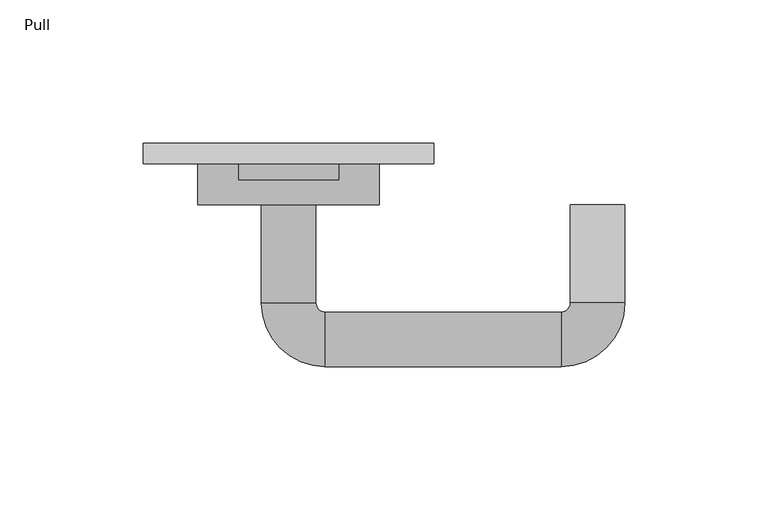
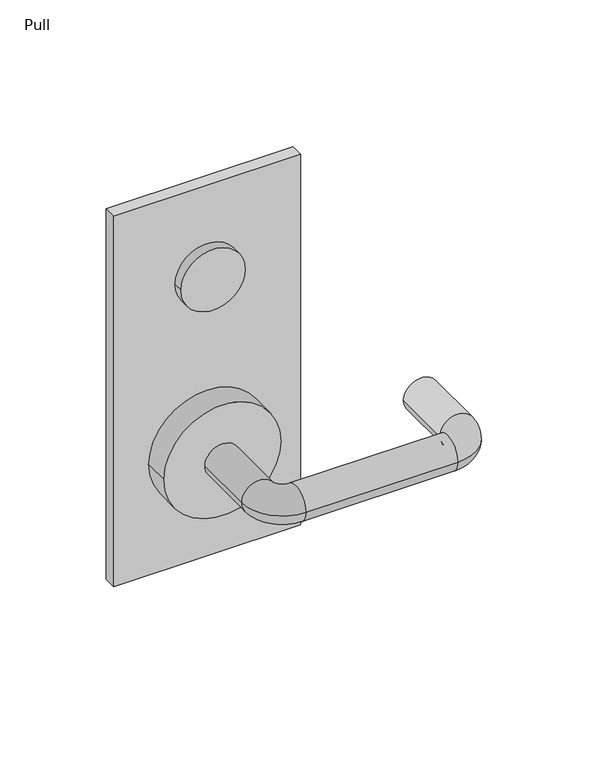
"""IFC4 building model written with IfcOpenShell, lengths in millimetres: proxy geometry, Pull."""

from ifc_helpers import new_model, si_unit, point, frame, frame_2d, origin, origin_2d, place, context, project, spatial, polyline, circle_curve, ellipse_curve, trimmed, segment, composite_curve, outline, extrude, source, transform, mapped, element, save
from ifc_brep_helpers import plane_surface, cylinder_surface, revolved_surface, advanced_brep


def pull_4bb2bdea(model_context):
    return source(origin(), model_context, "Body", "SolidModel", [
        extrude(outline(composite_curve([segment(trimmed(circle_curve(frame_2d((98.425, 0.0)), 17.4625), [point((98.425, 17.4625))], [point((98.425, -17.4625))], False, "CARTESIAN"), True, "CONTINUOUS"), segment(trimmed(circle_curve(frame_2d((98.425, 0.0)), 17.4625), [point((98.425, -17.4625))], [point((98.425, 17.4625))], False, "CARTESIAN"), True, "CONTINUOUS")], self_intersect=False)), frame((0.0, -12.7, 0.0), z_axis=(0.0, 1.0, 0.0), x_axis=(0.0, 0.0, 1.0)), (0.0, 0.0, 1.0), 5.55625),
        advanced_brep(
        [(-9.525, -21.43125, 0.0), (9.525, -21.43125, 0.0), (-9.525, -55.797268, 0.0), (9.525, -55.797268, 0.0), (12.7, -58.972268, 0.0), (12.7, -78.022268, 0.0), (95.25, -78.022268, 0.0), (95.25, -58.972268, 0.0), (98.425, -55.797268, 0.0), (117.475, -55.797268, 0.0), (117.475, -21.43125, 0.0), (98.425, -21.43125, 0.0)],
        [
            (0, 1, circle_curve(frame((0.0, -21.43125, 0.0), z_axis=(0.0, 1.0, 0.0), x_axis=(1.0, 0.0, 0.0)), 9.525)),
            (1, 0, circle_curve(frame((0.0, -21.43125, 0.0), z_axis=(0.0, 1.0, 0.0), x_axis=(1.0, 0.0, 0.0)), 9.525)),
            (0, 2),
            (2, 3, circle_curve(frame((0.0, -55.797268, 0.0), z_axis=(0.0, 1.0, 0.0), x_axis=(1.0, 0.0, 0.0)), 9.525)),
            (3, 1),
            (3, 2, circle_curve(frame((0.0, -55.797268, 0.0), z_axis=(0.0, 1.0, 0.0), x_axis=(1.0, 0.0, 0.0)), 9.525)),
            (4, 3, circle_curve(frame((12.7, -55.797268, 0.0), z_axis=(0.0, 0.0, -1.0), x_axis=(-1.0, 0.0, 0.0)), 3.175)),
            (2, 5, circle_curve(frame((12.7, -55.797268, 0.0), z_axis=(0.0, 0.0, 1.0), x_axis=(-1.0, 0.0, 0.0)), 22.225)),
            (5, 4, circle_curve(frame((12.7, -68.497268, 0.0), z_axis=(-1.0, 0.0, 0.0), x_axis=(0.0, 1.0, 0.0)), 9.525)),
            (4, 5, circle_curve(frame((12.7, -68.497268, 0.0), z_axis=(-1.0, 0.0, 0.0), x_axis=(0.0, 1.0, 0.0)), 9.525)),
            (5, 6),
            (6, 7, circle_curve(frame((95.25, -68.497268, 0.0), z_axis=(-1.0, 0.0, 0.0), x_axis=(0.0, 1.0, 0.0)), 9.525)),
            (7, 4),
            (7, 6, circle_curve(frame((95.25, -68.497268, 0.0), z_axis=(-1.0, 0.0, 0.0), x_axis=(0.0, 1.0, 0.0)), 9.525)),
            (8, 7, circle_curve(frame((95.25, -55.797268, 0.0), z_axis=(0.0, 0.0, -1.0), x_axis=(0.0, -1.0, 0.0)), 3.175)),
            (6, 9, circle_curve(frame((95.25, -55.797268, 0.0), z_axis=(0.0, 0.0, 1.0), x_axis=(0.0, -1.0, 0.0)), 22.225)),
            (9, 8, circle_curve(frame((107.95, -55.797268, 0.0), z_axis=(0.0, -1.0, 0.0), x_axis=(-1.0, 0.0, 0.0)), 9.525)),
            (8, 9, circle_curve(frame((107.95, -55.797268, 0.0), z_axis=(0.0, -1.0, 0.0), x_axis=(-1.0, 0.0, 0.0)), 9.525)),
            (10, 11, circle_curve(frame((107.95, -21.43125, 0.0), z_axis=(0.0, 1.0, 0.0), x_axis=(-1.0, 0.0, 0.0)), 9.525)),
            (11, 10, circle_curve(frame((107.95, -21.43125, 0.0), z_axis=(0.0, 1.0, 0.0), x_axis=(-1.0, 0.0, 0.0)), 9.525)),
            (9, 10),
            (11, 8),
        ],
        [
            plane_surface(frame((0.0, -21.43125, 0.0), z_axis=(0.0, 1.0, 0.0), x_axis=(0.0, 0.0, 1.0))),
            cylinder_surface(frame((0.0, -21.43125, 0.0), z_axis=(0.0, 1.0, 0.0), x_axis=(1.0, 0.0, 0.0)), 9.525),
            revolved_surface(trimmed(ellipse_curve(frame((0.0, -55.797268, 0.0), z_axis=(0.0, 1.0, 0.0), x_axis=(1.0, 0.0, 0.0)), 9.525, 9.525), [point((-9.525, -55.797268, 0.0))], [point((9.525, -55.797268, 0.0))], True, "CARTESIAN"), (12.7, -55.797268, 0.0), (0.0, 0.0, 1.0)),
            revolved_surface(trimmed(ellipse_curve(frame((0.0, -55.797268, 0.0), z_axis=(0.0, 1.0, 0.0), x_axis=(1.0, 0.0, 0.0)), 9.525, 9.525), [point((9.525, -55.797268, 0.0))], [point((-9.525, -55.797268, 0.0))], True, "CARTESIAN"), (12.7, -55.797268, 0.0), (0.0, 0.0, 1.0)),
            cylinder_surface(frame((12.7, -68.497268, 0.0), z_axis=(-1.0, 0.0, 0.0), x_axis=(0.0, 1.0, 0.0)), 9.525),
            revolved_surface(trimmed(ellipse_curve(frame((95.25, -68.497268, 0.0), z_axis=(-1.0, 0.0, 0.0), x_axis=(0.0, 1.0, 0.0)), 9.525, 9.525), [point((95.25, -78.022268, 0.0))], [point((95.25, -58.972268, 0.0))], True, "CARTESIAN"), (95.25, -55.797268, 0.0), (0.0, 0.0, 1.0)),
            revolved_surface(trimmed(ellipse_curve(frame((95.25, -68.497268, 0.0), z_axis=(-1.0, 0.0, 0.0), x_axis=(0.0, 1.0, 0.0)), 9.525, 9.525), [point((95.25, -58.972268, 0.0))], [point((95.25, -78.022268, 0.0))], True, "CARTESIAN"), (95.25, -55.797268, 0.0), (0.0, 0.0, 1.0)),
            plane_surface(frame((107.95, -21.43125, 0.0), z_axis=(0.0, 1.0, 0.0), x_axis=(0.0, 0.0, 1.0))),
            cylinder_surface(frame((107.95, -55.797268, 0.0), z_axis=(0.0, -1.0, 0.0), x_axis=(-1.0, 0.0, 0.0)), 9.525),
        ],
        [
            (0, [[1, 2]]),
            (1, [[-1, 3, 4, 5]]),
            (1, [[-2, -5, 6, -3]]),
            (2, [[7, -4, 8, 9]]),
            (3, [[-8, -6, -7, 10]]),
            (4, [[-9, 11, 12, 13]]),
            (4, [[-10, -13, 14, -11]]),
            (5, [[15, -12, 16, 17]]),
            (6, [[-16, -14, -15, 18]]),
            (7, [[19, 20]]),
            (8, [[-17, 21, -20, 22]]),
            (8, [[-18, -22, -19, -21]]),
        ],
    ),
        extrude(outline(composite_curve([segment(trimmed(circle_curve(origin_2d(), 31.75), [point((0.0, 31.75))], [point((0.0, -31.75))], False, "CARTESIAN"), True, "CONTINUOUS"), segment(trimmed(circle_curve(origin_2d(), 31.75), [point((0.0, -31.75))], [point((0.0, 31.75))], False, "CARTESIAN"), True, "CONTINUOUS")], self_intersect=False)), frame((0.0, -21.43125, 0.0), z_axis=(0.0, 1.0, 0.0), x_axis=(0.0, 0.0, 1.0)), (0.0, 0.0, 1.0), 14.2875),
        extrude(outline(polyline([(-50.8, 0.0), (50.8, 0.0), (50.8, -7.14375), (-50.8, -7.14375), (-50.8, 0.0)])), frame((0.0, 0.0, -63.5), z_axis=(0.0, 0.0, 1.0), x_axis=(1.0, 0.0, 0.0)), (0.0, 0.0, 1.0), 212.725),
    ])


if __name__ == "__main__":
    model = new_model("IFC4")
    model_context = context("Model", 3, world=origin())
    ifc_project = project(units=[si_unit("LENGTHUNIT", "METRE", prefix="MILLI")], contexts=[model_context])
    site = spatial("IfcSite", under=ifc_project)
    building = spatial("IfcBuilding", under=site)
    placement = place(None, origin())
    pull_shape = pull_4bb2bdea(model_context)
    element("IfcBuildingElementProxy", 1, Name="Pull", ObjectType="Pull", at=placement, inside=building, context=model_context, shape_type="MappedRepresentation", body=[
        mapped(pull_shape, transform((0.0, 0.0, 0.0), x_axis=(1.0, 0.0, 0.0), y_axis=(0.0, 1.0, 0.0), z_axis=(0.0, 0.0, 1.0))),
    ])
    save(model, "model.ifc")
